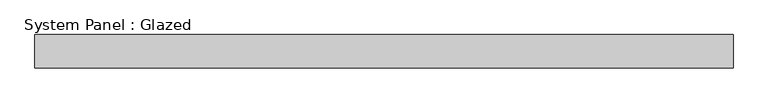
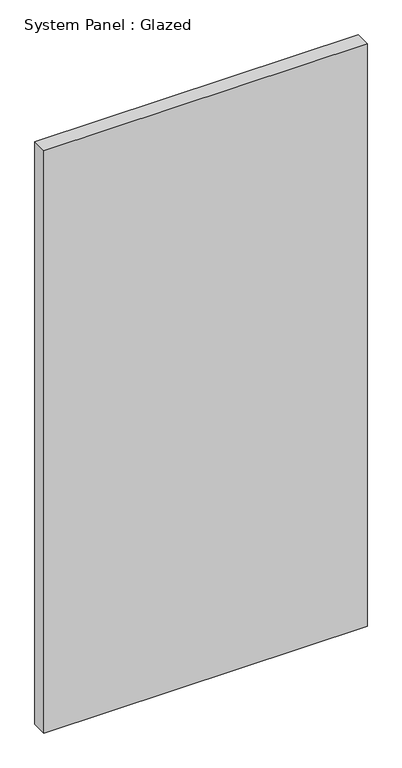
"""IFC4 building model written with IfcOpenShell, lengths in millimetres: plate geometry, System Panel : Glazed."""

from ifc_helpers import new_model, si_unit, origin, origin_with_axes, place, context, project, spatial, polyline, outline, extrude, source, transform, mapped, element, save


def system_panel_glazed_74aed079(model_context):
    return source(origin(), model_context, "Body", "SweptSolid", [
        extrude(outline(polyline([(1050.0, 50.0), (-1050.0, 50.0), (-1050.0, 150.0), (1050.0, 150.0), (1050.0, 50.0)])), origin_with_axes(), (0.0, 0.0, 1.0), 4000.0),
    ])


if __name__ == "__main__":
    model = new_model("IFC4")
    model_context = context("Model", 3, world=origin())
    ifc_project = project(units=[si_unit("LENGTHUNIT", "METRE", prefix="MILLI")], contexts=[model_context])
    site = spatial("IfcSite", under=ifc_project)
    building = spatial("IfcBuilding", under=site)
    placement = place(None, origin())
    system_panel_glazed_shape = system_panel_glazed_74aed079(model_context)
    element("IfcPlate", 1, ObjectType="System Panel : Glazed", at=placement, inside=building, context=model_context, shape_type="MappedRepresentation", body=[
        mapped(system_panel_glazed_shape, transform((0.0, 0.0, 0.0), x_axis=(1.0, 0.0, 0.0), y_axis=(0.0, 1.0, 0.0), z_axis=(0.0, 0.0, 1.0))),
    ])
    save(model, "model.ifc")
